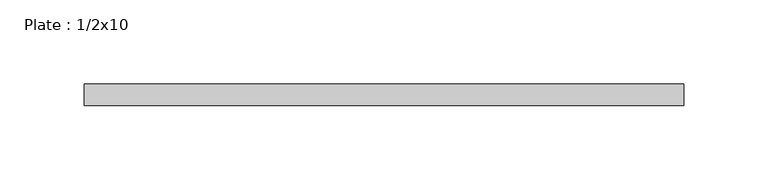
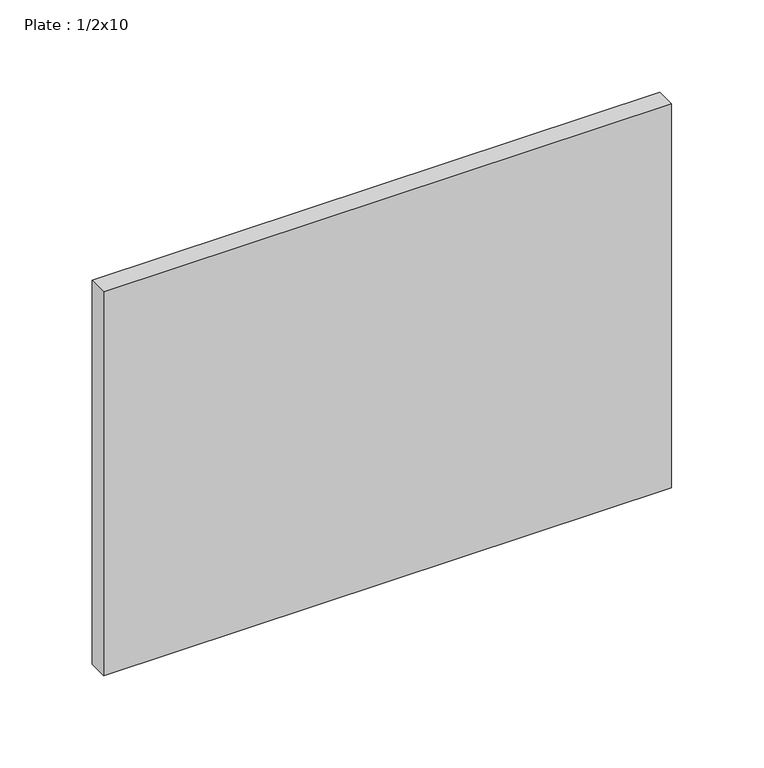
"""IFC4 building model written with IfcOpenShell, lengths in millimetres: beam geometry, Plate : 1/2x10."""

from ifc_helpers import new_model, si_unit, frame, origin, place, context, project, spatial, polyline, outline, extrude, source, transform, mapped, element, save


def plate_1_2x10_af0e02e1(model_context):
    return source(origin(), model_context, "Body", "SweptSolid", [
        extrude(outline(polyline([(177.8, 6.35), (177.8, -6.35), (-177.7999994, -6.35), (-177.7999994, 6.35), (177.8, 6.35)])), frame((0.0, 0.0, -127.0), z_axis=(0.0, 0.0, 1.0), x_axis=(1.0, 0.0, 0.0)), (0.0, 0.0, 1.0), 254.0),
    ])


if __name__ == "__main__":
    model = new_model("IFC4")
    model_context = context("Model", 3, world=origin())
    ifc_project = project(units=[si_unit("LENGTHUNIT", "METRE", prefix="MILLI")], contexts=[model_context])
    site = spatial("IfcSite", under=ifc_project)
    building = spatial("IfcBuilding", under=site)
    placement = place(None, origin())
    plate_1_2x10_shape = plate_1_2x10_af0e02e1(model_context)
    element("IfcBeam", 1, ObjectType="Plate : 1/2x10", at=placement, inside=building, context=model_context, shape_type="MappedRepresentation", body=[
        mapped(plate_1_2x10_shape, transform((0.0, 0.0, 0.0), x_axis=(1.0, 0.0, 0.0), y_axis=(0.0, 1.0, 0.0), z_axis=(0.0, 0.0, 1.0))),
    ])
    save(model, "model.ifc")
